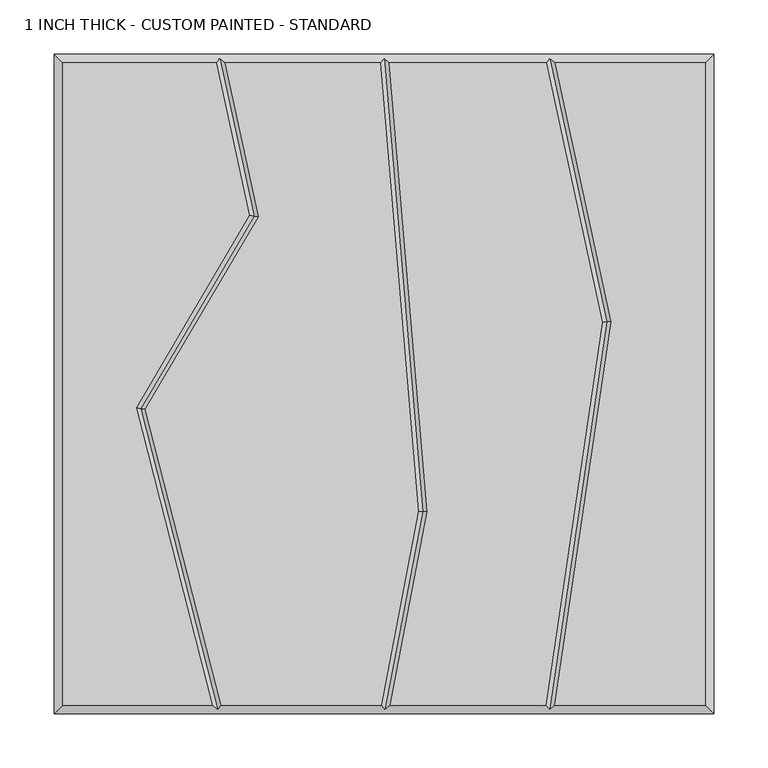
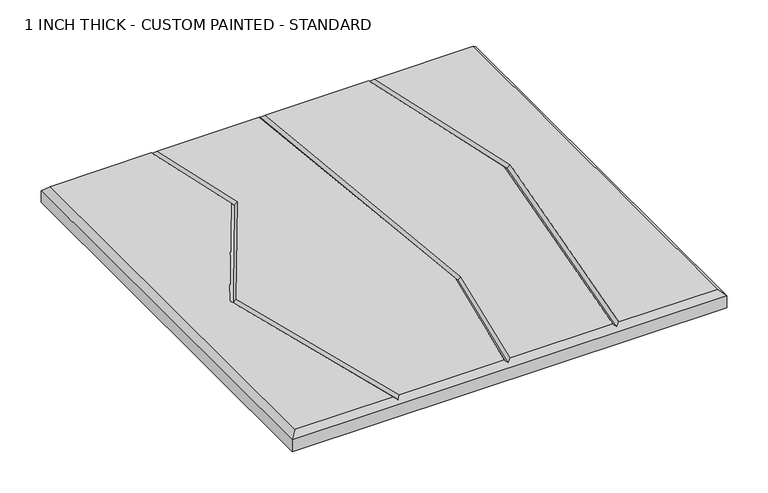
"""IFC4 building model written with IfcOpenShell, lengths in millimetres: proxy geometry, 1 INCH THICK - CUSTOM PAINTED - STANDARD."""

import ifcopenshell
import ifcopenshell.guid

model = None  # the IFC model being written
_history = None  # IfcOwnerHistory: only IFC2X3 demands one
_inside = {}  # id of a spatial element -> (the spatial element, [elements in it])
_under = {}  # id of a project, library or spatial element -> (it, [spatial elements below it])
_declared = {}  # id of a project -> (the project, [libraries it declares])
_typed = {}  # id of a type object -> (the type object, [elements of that type])
_made_of = {}  # id of a material, layer set ... -> (it, [elements and type objects made of it])


def new_model(schema):
    """Start an empty IFC model of exactly this schema.

    Asked for "IFC4X3", IfcOpenShell would pick the latest addendum, in which some entities
    have other attributes; the version numbers below select the first issue.
    IFC2X3 requires an IfcOwnerHistory on every rooted entity: one is made here for all.
    """
    global model, _history
    if schema == "IFC4X3":
        model = ifcopenshell.file(schema_version=(4, 3, 0, 0))
    else:
        model = ifcopenshell.file(schema=schema)
    _inside.clear()
    _under.clear()
    _declared.clear()
    _typed.clear()
    _made_of.clear()
    _history = None
    if model.schema == "IFC2X3":
        org = make("IfcOrganization", Name="unknown")
        user = make(
            "IfcPersonAndOrganization",
            ThePerson=make("IfcPerson", FamilyName="unknown"),
            TheOrganization=org,
        )
        app = make(
            "IfcApplication",
            ApplicationDeveloper=org,
            Version="unknown",
            ApplicationFullName="unknown",
            ApplicationIdentifier="unknown",
        )
        _history = make(
            "IfcOwnerHistory",
            OwningUser=user,
            OwningApplication=app,
            ChangeAction="ADDED",
            CreationDate=0,
        )
    return model


def make(cls, **values):
    """One entity of the class cls with the attributes given. An attribute that is None is left unset."""
    return model.create_entity(
        cls, **{name: value for name, value in values.items() if value is not None}
    )


def rooted(cls, **values):
    """An entity with a GlobalId (a new one), such as an element, a storey or a relation."""
    return make(cls, GlobalId=ifcopenshell.guid.new(), OwnerHistory=_history, **values)


def si_unit(unit_type, name, prefix=None):
    """IfcSIUnit, for example si_unit("LENGTHUNIT", "METRE", prefix="MILLI")."""
    return make("IfcSIUnit", UnitType=unit_type, Prefix=prefix, Name=name)


def assignment(units):
    """IfcUnitAssignment: the units of a project."""
    return None if units is None else make("IfcUnitAssignment", Units=units)


def point(xyz):
    """IfcCartesianPoint."""
    return None if xyz is None else make("IfcCartesianPoint", Coordinates=xyz)


def direction(xyz):
    """IfcDirection."""
    return None if xyz is None else make("IfcDirection", DirectionRatios=xyz)


def frame(location, z_axis=None, x_axis=None):
    """IfcAxis2Placement3D, a coordinate frame: its origin and axes. An axis left out is left unset."""
    return make(
        "IfcAxis2Placement3D",
        Location=point(location),
        Axis=direction(z_axis),
        RefDirection=direction(x_axis),
    )


def origin():
    """The frame at (0, 0, 0) with its axes left unset."""
    return frame((0.0, 0.0, 0.0))


def place(relative_to, where):
    """IfcLocalPlacement: puts the frame where relative to a parent placement (None: the world)."""
    return make(
        "IfcLocalPlacement", PlacementRelTo=relative_to, RelativePlacement=where
    )


def context(
    kind, dimensions, precision=None, world=None, true_north=None, identifier=None
):
    """IfcGeometricRepresentationContext, for example the 3D "Model" context."""
    return make(
        "IfcGeometricRepresentationContext",
        ContextIdentifier=identifier,
        ContextType=kind,
        CoordinateSpaceDimension=dimensions,
        Precision=precision,
        WorldCoordinateSystem=world,
        TrueNorth=true_north,
    )


def project(units=None, contexts=None):
    """IfcProject with its units and contexts."""
    return rooted(
        "IfcProject",
        Name="project",
        RepresentationContexts=contexts,
        UnitsInContext=assignment(units),
    )


def spatial(cls, under=None, at=None, **own):
    """A site, building, storey or space (cls), placed at a placement, below another one or the project."""
    s = rooted(cls, ObjectPlacement=at, **own)
    if under is not None:
        _under.setdefault(under.id(), (under, []))[1].append(s)
    return s


def faces_of(points, faces, orient=None, outer=None):
    """IfcFace entities. A face is a list of loops; a loop is a list of indices into points, from 0.

    orient and outer hold one flag for each loop. By default every Orientation is true, the
    first loop of a face is its IfcFaceOuterBound and the others are IfcFaceBound.
    """
    made = []
    for i, loops in enumerate(faces):
        bounds = []
        for j, loop in enumerate(loops):
            is_outer = j == 0 if outer is None else outer[i][j]
            bounds.append(
                make(
                    "IfcFaceOuterBound" if is_outer else "IfcFaceBound",
                    Bound=make("IfcPolyLoop", Polygon=[points[k] for k in loop]),
                    Orientation=True if orient is None else orient[i][j],
                )
            )
        made.append(make("IfcFace", Bounds=bounds))
    return made


def faceted_brep(points, faces, orient=None, outer=None, voids=None):
    """IfcFacetedBrep: a solid bounded by flat faces; with voids (closed shells), ...WithVoids."""
    shared = [point(p) for p in points]
    hull = make("IfcClosedShell", CfsFaces=faces_of(shared, faces, orient, outer))
    if voids is None:
        return make("IfcFacetedBrep", Outer=hull)
    return make(
        "IfcFacetedBrepWithVoids",
        Outer=hull,
        Voids=[
            make(cls, CfsFaces=faces_of(shared, fs, o, b)) for cls, fs, o, b in voids
        ],
    )


def shape(context_of_items, identifier, shape_type, items):
    """IfcShapeRepresentation: the items that make up one representation, for example the "Body"."""
    return make(
        "IfcShapeRepresentation",
        ContextOfItems=context_of_items,
        RepresentationIdentifier=identifier,
        RepresentationType=shape_type,
        Items=items,
    )


def source(mapping_origin, context_of_items, identifier, shape_type, items):
    """IfcRepresentationMap: a shape defined once, which mapped items show again and again."""
    return make(
        "IfcRepresentationMap",
        MappingOrigin=mapping_origin,
        MappedRepresentation=shape(context_of_items, identifier, shape_type, items),
    )


def transform(
    local_origin,
    x_axis=None,
    y_axis=None,
    z_axis=None,
    scale=None,
    scale2=None,
    scale3=None,
    uniform=True,
):
    """IfcCartesianTransformationOperator3D, or its non-uniform kind. x_axis, y_axis, z_axis: its Axis1, 2, 3."""
    if uniform:
        return make(
            "IfcCartesianTransformationOperator3D",
            Axis1=direction(x_axis),
            Axis2=direction(y_axis),
            LocalOrigin=point(local_origin),
            Scale=scale,
            Axis3=direction(z_axis),
        )
    return make(
        "IfcCartesianTransformationOperator3DnonUniform",
        Axis1=direction(x_axis),
        Axis2=direction(y_axis),
        LocalOrigin=point(local_origin),
        Scale=scale,
        Axis3=direction(z_axis),
        Scale2=scale2,
        Scale3=scale3,
    )


def mapped(mapping_source, mapping_target):
    """IfcMappedItem: shows the shape of a source again, moved by a transform."""
    return make(
        "IfcMappedItem", MappingSource=mapping_source, MappingTarget=mapping_target
    )


def made_of(thing, what):
    """Note that an element or type object is made of a material, layer set ...; save() writes the relation."""
    if what is not None:
        _made_of.setdefault(what.id(), (what, []))[1].append(thing)
    return thing


def element(
    cls,
    number,
    at=None,
    inside=None,
    cuts=None,
    type_object=None,
    material=None,
    context=None,
    identifier="Body",
    shape_type=None,
    held_by="IfcProductDefinitionShape",
    body=None,
    shapes=None,
    **own,
):
    """One element of the class cls, such as IfcWall. Its Tag is "e" and its number.

    at: its placement. inside: the storey or other place that contains it. cuts: it is an
    opening in that element (IfcRelVoidsElement). A single representation is given by context,
    identifier, shape_type and body (its items); several are given by shapes. held_by: the class
    of the entity that holds the representations. save() writes the other relations.
    """
    e = rooted(cls, Tag="e%d" % number, ObjectPlacement=at, **own)
    if body is not None:
        shapes = [shape(context, identifier, shape_type, body)]
    if shapes is not None:
        e.Representation = make(held_by, Representations=shapes)
    if inside is not None:
        _inside.setdefault(inside.id(), (inside, []))[1].append(e)
    if cuts is not None:
        rooted(
            "IfcRelVoidsElement", RelatingBuildingElement=cuts, RelatedOpeningElement=e
        )
    if type_object is not None:
        _typed.setdefault(type_object.id(), (type_object, []))[1].append(e)
    return made_of(e, material)


def aggregate(whole, parts):
    """IfcRelAggregates: a whole, such as a stair, and the parts it consists of."""
    return rooted("IfcRelAggregates", RelatingObject=whole, RelatedObjects=parts)


def save(model, path):
    """Write the relations noted so far, then the file.

    IfcRelAggregates (storeys below a building ...), IfcRelContainedInSpatialStructure (elements
    in a storey), IfcRelDefinesByType, IfcRelAssociatesMaterial and IfcRelDeclares: one each for
    every whole, place, type object, material and project.
    """
    for whole, parts in _under.values():
        aggregate(whole, parts)
    for where, things in _inside.values():
        rooted(
            "IfcRelContainedInSpatialStructure",
            RelatedElements=things,
            RelatingStructure=where,
        )
    for kind, things in _typed.values():
        rooted("IfcRelDefinesByType", RelatedObjects=things, RelatingType=kind)
    for what, things in _made_of.values():
        rooted("IfcRelAssociatesMaterial", RelatedObjects=things, RelatingMaterial=what)
    for by, libraries in _declared.values():
        rooted("IfcRelDeclares", RelatingContext=by, RelatedDefinitions=libraries)
    model.write(path)


def proxy_1_inch_thick_custom_painted_standard_f3d4efef(model_context):
    return source(origin(), model_context, "Body", "Brep", [
        faceted_brep([(-296.799, 296.799, 25.4), (-296.799, -296.799, 25.4), (-158.5803507, -296.799, 25.4), (-228.9486116, -22.1618467, 25.4), (-124.326786, 155.8449273, 25.4), (-154.765405, 296.799, 25.4), (296.799, -296.799, 25.4), (296.799, 296.799, 25.4), (158.2217247, 296.799, 25.4), (209.9251981, 57.4644259, 25.4), (157.6255242, -296.799, 25.4), (-220.3791386, -23.3717887, 25.4), (-150.3208923, -296.799, 25.4), (-2.5427901, -296.799, 25.4), (31.7252909, -117.6291285, 25.4), (-3.3378716, 296.799, 25.4), (-146.5799748, 296.799, 25.4), (-115.8470875, 154.4822402, 25.4), (39.7905877, -118.051219, 25.4), (5.6032358, -296.799, 25.4), (149.5378056, -296.799, 25.4), (201.7977561, 57.1953504, 25.4), (150.0361542, 296.799, 25.4), (4.6917137, 296.799, 25.4), (-304.8, 304.8, 0.0), (304.8, 304.8, 0.0), (304.8, -304.8, 0.0), (-304.8, -304.8, 0.0), (-304.8, -304.8, 17.399), (-304.8, 304.8, 17.399), (304.8, -304.8, 17.399), (304.8, 304.8, 17.399), (-151.5365862, 300.7995, 21.3995), (0.3384542, 300.7995, 21.3995), (153.264711, 300.7995, 21.3995), (152.9910738, -300.7995, 21.3995), (0.7650861, -300.7995, 21.3995), (-153.4256028, -300.7995, 21.3995), (-224.6638751, -22.7668177, 21.3995), (-120.0869367, 155.1635838, 21.3995), (35.7579393, -117.8401737, 21.3995), (205.8614771, 57.3298882, 21.3995)], [[[0, 1, 2, 3, 4, 5]], [[6, 7, 8, 9, 10]], [[11, 12, 13, 14, 15, 16, 17]], [[18, 19, 20, 21, 22, 23]], [[24, 25, 26, 27]], [[24, 27, 28, 29]], [[27, 26, 30, 28]], [[26, 25, 31, 30]], [[25, 24, 29, 31]], [[29, 0, 5, 32, 16, 15, 33, 23, 22, 34, 8, 7, 31]], [[0, 29, 28, 1]], [[1, 28, 30, 6, 10, 35, 20, 19, 36, 13, 12, 37, 2]], [[31, 7, 6, 30]], [[38, 3, 2, 37]], [[11, 38, 37, 12]], [[3, 38, 39, 4]], [[38, 11, 17, 39]], [[4, 39, 32, 5]], [[39, 17, 16, 32]], [[40, 14, 13, 36]], [[18, 40, 36, 19]], [[14, 40, 33, 15]], [[40, 18, 23, 33]], [[41, 21, 20, 35]], [[9, 41, 35, 10]], [[21, 41, 34, 22]], [[41, 9, 8, 34]]]),
    ])


if __name__ == "__main__":
    model = new_model("IFC4")
    model_context = context("Model", 3, world=origin())
    ifc_project = project(units=[si_unit("LENGTHUNIT", "METRE", prefix="MILLI")], contexts=[model_context])
    site = spatial("IfcSite", under=ifc_project)
    building = spatial("IfcBuilding", under=site)
    placement = place(None, origin())
    proxy_1_inch_thick_custom_painted_standard_shape = proxy_1_inch_thick_custom_painted_standard_f3d4efef(model_context)
    element("IfcBuildingElementProxy", 1, Name="1 INCH THICK - CUSTOM PAINTED - STANDARD", ObjectType="1 INCH THICK - CUSTOM PAINTED - STANDARD", at=placement, inside=building, context=model_context, shape_type="MappedRepresentation", body=[
        mapped(proxy_1_inch_thick_custom_painted_standard_shape, transform((0.0, 0.0, 0.0), x_axis=(1.0, 0.0, 0.0), y_axis=(0.0, 1.0, 0.0), z_axis=(0.0, 0.0, 1.0))),
    ])
    save(model, "model.ifc")
